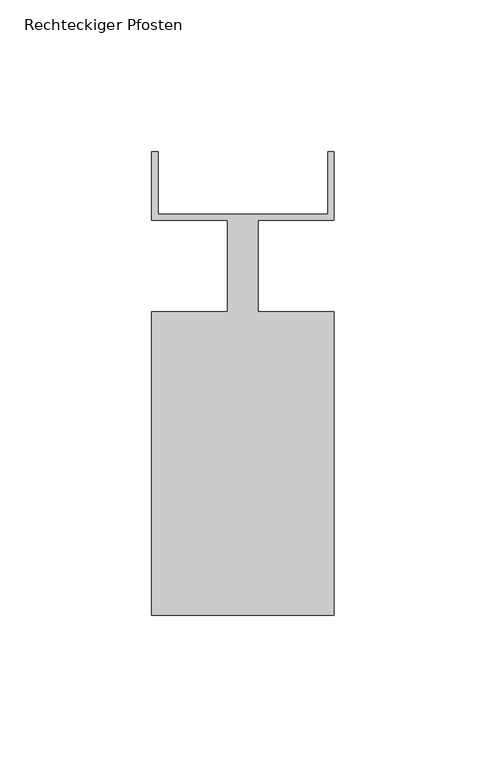
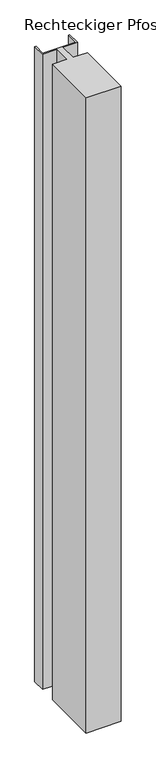
"""IFC4 building model written with IfcOpenShell, lengths in millimetres: member geometry, Rechteckiger Pfosten."""

from ifc_helpers import new_model, si_unit, frame, origin, place, context, project, spatial, polyline, outline, extrude, source, transform, mapped, element, save


def rechteckiger_pfosten_dfd7a275(model_context):
    return source(origin(), model_context, "Body", "SweptSolid", [
        extrude(outline(polyline([(-2.0, 37.5), (0.0, 37.5), (0.0, 15.0), (-25.0, 15.0), (-25.0, -15.0), (0.0, -15.0), (0.0, -115.0), (-60.0, -115.0), (-60.0, -15.0), (-35.0, -15.0), (-35.0, 15.0), (-60.0, 15.0), (-60.0, 37.5), (-58.0, 37.5), (-58.0, 17.0), (-2.0, 17.0), (-2.0, 37.5)])), frame((0.0, 0.0, -1148.8888889), z_axis=(0.0, 0.0, 1.0), x_axis=(1.0, 0.0, 0.0)), (0.0, 0.0, 1.0), 1148.8888889),
    ])


if __name__ == "__main__":
    model = new_model("IFC4")
    model_context = context("Model", 3, world=origin())
    ifc_project = project(units=[si_unit("LENGTHUNIT", "METRE", prefix="MILLI")], contexts=[model_context])
    site = spatial("IfcSite", under=ifc_project)
    building = spatial("IfcBuilding", under=site)
    placement = place(None, origin())
    rechteckiger_pfosten_shape = rechteckiger_pfosten_dfd7a275(model_context)
    element("IfcMember", 1, ObjectType="Rechteckiger Pfosten", at=placement, inside=building, context=model_context, shape_type="MappedRepresentation", body=[
        mapped(rechteckiger_pfosten_shape, transform((0.0, 0.0, 0.0), x_axis=(1.0, 0.0, 0.0), y_axis=(0.0, 1.0, 0.0), z_axis=(0.0, 0.0, 1.0))),
    ])
    save(model, "model.ifc")
